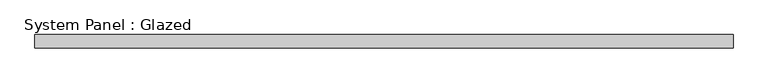
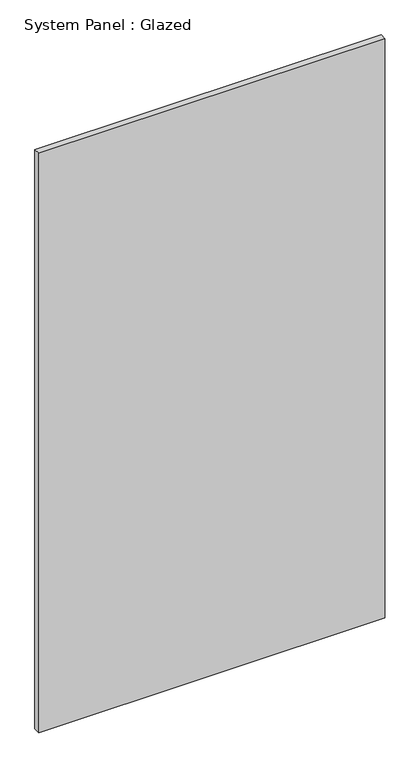
"""IFC4 building model written with IfcOpenShell, lengths in millimetres: plate geometry, System Panel : Glazed."""

from ifc_helpers import new_model, si_unit, origin, origin_with_axes, place, context, project, spatial, polyline, outline, extrude, source, transform, mapped, element, save


def system_panel_glazed_8ea7f89c(model_context):
    return source(origin(), model_context, "Body", "SweptSolid", [
        extrude(outline(polyline([(661.5833333, -44.45), (-661.5833333, -44.45), (-661.5833333, -19.05), (661.5833333, -19.05), (661.5833333, -44.45)])), origin_with_axes(), (0.0, 0.0, 1.0), 2343.15),
    ])


if __name__ == "__main__":
    model = new_model("IFC4")
    model_context = context("Model", 3, world=origin())
    ifc_project = project(units=[si_unit("LENGTHUNIT", "METRE", prefix="MILLI")], contexts=[model_context])
    site = spatial("IfcSite", under=ifc_project)
    building = spatial("IfcBuilding", under=site)
    placement = place(None, origin())
    system_panel_glazed_shape = system_panel_glazed_8ea7f89c(model_context)
    element("IfcPlate", 1, ObjectType="System Panel : Glazed", at=placement, inside=building, context=model_context, shape_type="MappedRepresentation", body=[
        mapped(system_panel_glazed_shape, transform((0.0, 0.0, 0.0), x_axis=(1.0, 0.0, 0.0), y_axis=(0.0, 1.0, 0.0), z_axis=(0.0, 0.0, 1.0))),
    ])
    save(model, "model.ifc")
